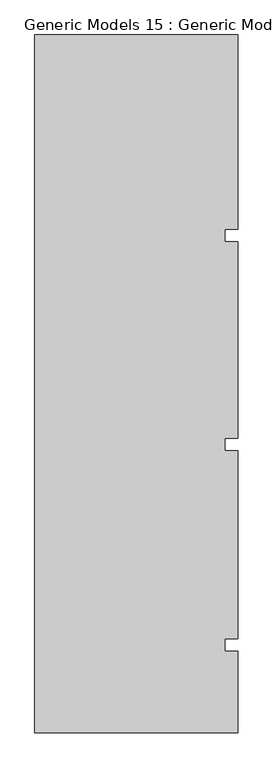
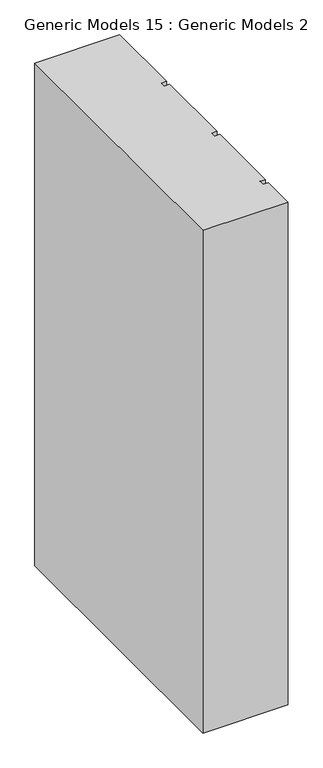
"""IFC4 building model written with IfcOpenShell, lengths in millimetres: proxy geometry, Generic Models 15 : Generic Models 2."""

import ifcopenshell
import ifcopenshell.guid

model = None  # the IFC model being written
_history = None  # IfcOwnerHistory: only IFC2X3 demands one
_inside = {}  # id of a spatial element -> (the spatial element, [elements in it])
_under = {}  # id of a project, library or spatial element -> (it, [spatial elements below it])
_declared = {}  # id of a project -> (the project, [libraries it declares])
_typed = {}  # id of a type object -> (the type object, [elements of that type])
_made_of = {}  # id of a material, layer set ... -> (it, [elements and type objects made of it])


def new_model(schema):
    """Start an empty IFC model of exactly this schema.

    Asked for "IFC4X3", IfcOpenShell would pick the latest addendum, in which some entities
    have other attributes; the version numbers below select the first issue.
    IFC2X3 requires an IfcOwnerHistory on every rooted entity: one is made here for all.
    """
    global model, _history
    if schema == "IFC4X3":
        model = ifcopenshell.file(schema_version=(4, 3, 0, 0))
    else:
        model = ifcopenshell.file(schema=schema)
    _inside.clear()
    _under.clear()
    _declared.clear()
    _typed.clear()
    _made_of.clear()
    _history = None
    if model.schema == "IFC2X3":
        org = make("IfcOrganization", Name="unknown")
        user = make(
            "IfcPersonAndOrganization",
            ThePerson=make("IfcPerson", FamilyName="unknown"),
            TheOrganization=org,
        )
        app = make(
            "IfcApplication",
            ApplicationDeveloper=org,
            Version="unknown",
            ApplicationFullName="unknown",
            ApplicationIdentifier="unknown",
        )
        _history = make(
            "IfcOwnerHistory",
            OwningUser=user,
            OwningApplication=app,
            ChangeAction="ADDED",
            CreationDate=0,
        )
    return model


def make(cls, **values):
    """One entity of the class cls with the attributes given. An attribute that is None is left unset."""
    return model.create_entity(
        cls, **{name: value for name, value in values.items() if value is not None}
    )


def rooted(cls, **values):
    """An entity with a GlobalId (a new one), such as an element, a storey or a relation."""
    return make(cls, GlobalId=ifcopenshell.guid.new(), OwnerHistory=_history, **values)


def si_unit(unit_type, name, prefix=None):
    """IfcSIUnit, for example si_unit("LENGTHUNIT", "METRE", prefix="MILLI")."""
    return make("IfcSIUnit", UnitType=unit_type, Prefix=prefix, Name=name)


def assignment(units):
    """IfcUnitAssignment: the units of a project."""
    return None if units is None else make("IfcUnitAssignment", Units=units)


def point(xyz):
    """IfcCartesianPoint."""
    return None if xyz is None else make("IfcCartesianPoint", Coordinates=xyz)


def direction(xyz):
    """IfcDirection."""
    return None if xyz is None else make("IfcDirection", DirectionRatios=xyz)


def frame(location, z_axis=None, x_axis=None):
    """IfcAxis2Placement3D, a coordinate frame: its origin and axes. An axis left out is left unset."""
    return make(
        "IfcAxis2Placement3D",
        Location=point(location),
        Axis=direction(z_axis),
        RefDirection=direction(x_axis),
    )


def origin():
    """The frame at (0, 0, 0) with its axes left unset."""
    return frame((0.0, 0.0, 0.0))


def place(relative_to, where):
    """IfcLocalPlacement: puts the frame where relative to a parent placement (None: the world)."""
    return make(
        "IfcLocalPlacement", PlacementRelTo=relative_to, RelativePlacement=where
    )


def context(
    kind, dimensions, precision=None, world=None, true_north=None, identifier=None
):
    """IfcGeometricRepresentationContext, for example the 3D "Model" context."""
    return make(
        "IfcGeometricRepresentationContext",
        ContextIdentifier=identifier,
        ContextType=kind,
        CoordinateSpaceDimension=dimensions,
        Precision=precision,
        WorldCoordinateSystem=world,
        TrueNorth=true_north,
    )


def project(units=None, contexts=None):
    """IfcProject with its units and contexts."""
    return rooted(
        "IfcProject",
        Name="project",
        RepresentationContexts=contexts,
        UnitsInContext=assignment(units),
    )


def spatial(cls, under=None, at=None, **own):
    """A site, building, storey or space (cls), placed at a placement, below another one or the project."""
    s = rooted(cls, ObjectPlacement=at, **own)
    if under is not None:
        _under.setdefault(under.id(), (under, []))[1].append(s)
    return s


def polyline(points):
    """IfcPolyline through the points."""
    return make("IfcPolyline", Points=[point(p) for p in points])


def outline(outer, holes=None, kind="AREA"):
    """IfcArbitraryClosedProfileDef: a profile drawn as a closed curve; with holes, ...WithVoids."""
    if holes is None:
        return make("IfcArbitraryClosedProfileDef", ProfileType=kind, OuterCurve=outer)
    return make(
        "IfcArbitraryProfileDefWithVoids",
        ProfileType=kind,
        OuterCurve=outer,
        InnerCurves=holes,
    )


def extrude(swept, where, along, depth):
    """IfcExtrudedAreaSolid: the profile swept, set in the frame where, extruded along a direction by depth."""
    return make(
        "IfcExtrudedAreaSolid",
        SweptArea=swept,
        Position=where,
        ExtrudedDirection=direction(along),
        Depth=depth,
    )


def shape(context_of_items, identifier, shape_type, items):
    """IfcShapeRepresentation: the items that make up one representation, for example the "Body"."""
    return make(
        "IfcShapeRepresentation",
        ContextOfItems=context_of_items,
        RepresentationIdentifier=identifier,
        RepresentationType=shape_type,
        Items=items,
    )


def source(mapping_origin, context_of_items, identifier, shape_type, items):
    """IfcRepresentationMap: a shape defined once, which mapped items show again and again."""
    return make(
        "IfcRepresentationMap",
        MappingOrigin=mapping_origin,
        MappedRepresentation=shape(context_of_items, identifier, shape_type, items),
    )


def transform(
    local_origin,
    x_axis=None,
    y_axis=None,
    z_axis=None,
    scale=None,
    scale2=None,
    scale3=None,
    uniform=True,
):
    """IfcCartesianTransformationOperator3D, or its non-uniform kind. x_axis, y_axis, z_axis: its Axis1, 2, 3."""
    if uniform:
        return make(
            "IfcCartesianTransformationOperator3D",
            Axis1=direction(x_axis),
            Axis2=direction(y_axis),
            LocalOrigin=point(local_origin),
            Scale=scale,
            Axis3=direction(z_axis),
        )
    return make(
        "IfcCartesianTransformationOperator3DnonUniform",
        Axis1=direction(x_axis),
        Axis2=direction(y_axis),
        LocalOrigin=point(local_origin),
        Scale=scale,
        Axis3=direction(z_axis),
        Scale2=scale2,
        Scale3=scale3,
    )


def mapped(mapping_source, mapping_target):
    """IfcMappedItem: shows the shape of a source again, moved by a transform."""
    return make(
        "IfcMappedItem", MappingSource=mapping_source, MappingTarget=mapping_target
    )


def made_of(thing, what):
    """Note that an element or type object is made of a material, layer set ...; save() writes the relation."""
    if what is not None:
        _made_of.setdefault(what.id(), (what, []))[1].append(thing)
    return thing


def element(
    cls,
    number,
    at=None,
    inside=None,
    cuts=None,
    type_object=None,
    material=None,
    context=None,
    identifier="Body",
    shape_type=None,
    held_by="IfcProductDefinitionShape",
    body=None,
    shapes=None,
    **own,
):
    """One element of the class cls, such as IfcWall. Its Tag is "e" and its number.

    at: its placement. inside: the storey or other place that contains it. cuts: it is an
    opening in that element (IfcRelVoidsElement). A single representation is given by context,
    identifier, shape_type and body (its items); several are given by shapes. held_by: the class
    of the entity that holds the representations. save() writes the other relations.
    """
    e = rooted(cls, Tag="e%d" % number, ObjectPlacement=at, **own)
    if body is not None:
        shapes = [shape(context, identifier, shape_type, body)]
    if shapes is not None:
        e.Representation = make(held_by, Representations=shapes)
    if inside is not None:
        _inside.setdefault(inside.id(), (inside, []))[1].append(e)
    if cuts is not None:
        rooted(
            "IfcRelVoidsElement", RelatingBuildingElement=cuts, RelatedOpeningElement=e
        )
    if type_object is not None:
        _typed.setdefault(type_object.id(), (type_object, []))[1].append(e)
    return made_of(e, material)


def aggregate(whole, parts):
    """IfcRelAggregates: a whole, such as a stair, and the parts it consists of."""
    return rooted("IfcRelAggregates", RelatingObject=whole, RelatedObjects=parts)


def save(model, path):
    """Write the relations noted so far, then the file.

    IfcRelAggregates (storeys below a building ...), IfcRelContainedInSpatialStructure (elements
    in a storey), IfcRelDefinesByType, IfcRelAssociatesMaterial and IfcRelDeclares: one each for
    every whole, place, type object, material and project.
    """
    for whole, parts in _under.values():
        aggregate(whole, parts)
    for where, things in _inside.values():
        rooted(
            "IfcRelContainedInSpatialStructure",
            RelatedElements=things,
            RelatingStructure=where,
        )
    for kind, things in _typed.values():
        rooted("IfcRelDefinesByType", RelatedObjects=things, RelatingType=kind)
    for what, things in _made_of.values():
        rooted("IfcRelAssociatesMaterial", RelatedObjects=things, RelatingMaterial=what)
    for by, libraries in _declared.values():
        rooted("IfcRelDeclares", RelatingContext=by, RelatedDefinitions=libraries)
    model.write(path)


def generic_models_15_generic_models_2_8b6c09a5(model_context):
    return source(origin(), model_context, "Body", "SweptSolid", [
        extrude(outline(polyline([(6158.9891931, -239.4418036), (6646.0314083, -239.4418036), (6646.0314083, -703.851216), (6614.3889077, -703.851216), (6614.3889077, -733.8846489), (6646.0314083, -733.8846489), (6646.0314083, -1203.851216), (6614.3889077, -1203.851216), (6614.3889077, -1233.8846489), (6646.0314083, -1233.8846489), (6646.0314083, -1683.851216), (6614.3889077, -1683.851216), (6614.3889077, -1713.8846489), (6646.0314083, -1713.8846489), (6646.0314083, -1909.2712904), (6158.9891931, -1909.2712904), (6158.9891931, -239.4418036)])), frame((0.0, 0.0, 6000.0), z_axis=(0.0, 0.0, 1.0), x_axis=(1.0, 0.0, 0.0)), (0.0, 0.0, 1.0), 3044.7067261),
    ])


if __name__ == "__main__":
    model = new_model("IFC4")
    model_context = context("Model", 3, world=origin())
    ifc_project = project(units=[si_unit("LENGTHUNIT", "METRE", prefix="MILLI")], contexts=[model_context])
    site = spatial("IfcSite", under=ifc_project)
    building = spatial("IfcBuilding", under=site)
    placement = place(None, origin())
    generic_models_15_generic_models_2_shape = generic_models_15_generic_models_2_8b6c09a5(model_context)
    element("IfcBuildingElementProxy", 1, Name="Generic Models 15 : Generic Models 2", ObjectType="Generic Models 15 : Generic Models 2", at=placement, inside=building, context=model_context, shape_type="MappedRepresentation", body=[
        mapped(generic_models_15_generic_models_2_shape, transform((0.0, 0.0, 0.0), x_axis=(1.0, 0.0, 0.0), y_axis=(0.0, 1.0, 0.0), z_axis=(0.0, 0.0, 1.0))),
    ])
    save(model, "model.ifc")
